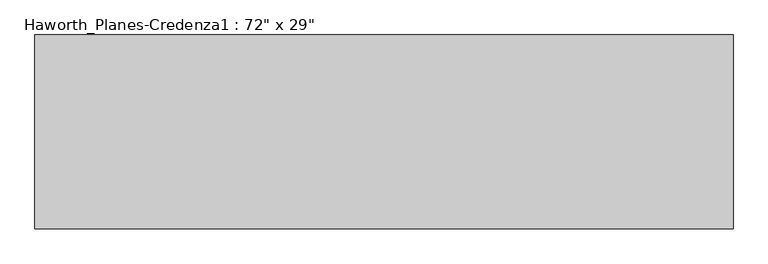
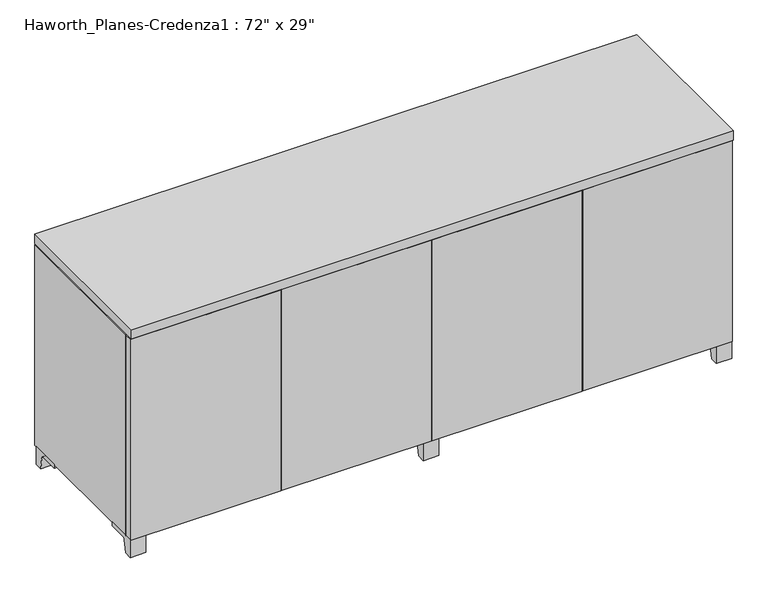
"""IFC4 building model written with IfcOpenShell, lengths in millimetres: furniture geometry."""

import ifcopenshell
import ifcopenshell.guid

model = None  # the IFC model being written
_history = None  # IfcOwnerHistory: only IFC2X3 demands one
_inside = {}  # id of a spatial element -> (the spatial element, [elements in it])
_under = {}  # id of a project, library or spatial element -> (it, [spatial elements below it])
_declared = {}  # id of a project -> (the project, [libraries it declares])
_typed = {}  # id of a type object -> (the type object, [elements of that type])
_made_of = {}  # id of a material, layer set ... -> (it, [elements and type objects made of it])


def new_model(schema):
    """Start an empty IFC model of exactly this schema.

    Asked for "IFC4X3", IfcOpenShell would pick the latest addendum, in which some entities
    have other attributes; the version numbers below select the first issue.
    IFC2X3 requires an IfcOwnerHistory on every rooted entity: one is made here for all.
    """
    global model, _history
    if schema == "IFC4X3":
        model = ifcopenshell.file(schema_version=(4, 3, 0, 0))
    else:
        model = ifcopenshell.file(schema=schema)
    _inside.clear()
    _under.clear()
    _declared.clear()
    _typed.clear()
    _made_of.clear()
    _history = None
    if model.schema == "IFC2X3":
        org = make("IfcOrganization", Name="unknown")
        user = make(
            "IfcPersonAndOrganization",
            ThePerson=make("IfcPerson", FamilyName="unknown"),
            TheOrganization=org,
        )
        app = make(
            "IfcApplication",
            ApplicationDeveloper=org,
            Version="unknown",
            ApplicationFullName="unknown",
            ApplicationIdentifier="unknown",
        )
        _history = make(
            "IfcOwnerHistory",
            OwningUser=user,
            OwningApplication=app,
            ChangeAction="ADDED",
            CreationDate=0,
        )
    return model


def make(cls, **values):
    """One entity of the class cls with the attributes given. An attribute that is None is left unset."""
    return model.create_entity(
        cls, **{name: value for name, value in values.items() if value is not None}
    )


def rooted(cls, **values):
    """An entity with a GlobalId (a new one), such as an element, a storey or a relation."""
    return make(cls, GlobalId=ifcopenshell.guid.new(), OwnerHistory=_history, **values)


def si_unit(unit_type, name, prefix=None):
    """IfcSIUnit, for example si_unit("LENGTHUNIT", "METRE", prefix="MILLI")."""
    return make("IfcSIUnit", UnitType=unit_type, Prefix=prefix, Name=name)


def assignment(units):
    """IfcUnitAssignment: the units of a project."""
    return None if units is None else make("IfcUnitAssignment", Units=units)


def point(xyz):
    """IfcCartesianPoint."""
    return None if xyz is None else make("IfcCartesianPoint", Coordinates=xyz)


def direction(xyz):
    """IfcDirection."""
    return None if xyz is None else make("IfcDirection", DirectionRatios=xyz)


def frame(location, z_axis=None, x_axis=None):
    """IfcAxis2Placement3D, a coordinate frame: its origin and axes. An axis left out is left unset."""
    return make(
        "IfcAxis2Placement3D",
        Location=point(location),
        Axis=direction(z_axis),
        RefDirection=direction(x_axis),
    )


def frame_2d(location, x_axis=None):
    """IfcAxis2Placement2D, a coordinate frame in the plane: its origin and x axis."""
    return make(
        "IfcAxis2Placement2D", Location=point(location), RefDirection=direction(x_axis)
    )


def origin():
    """The frame at (0, 0, 0) with its axes left unset."""
    return frame((0.0, 0.0, 0.0))


def place(relative_to, where):
    """IfcLocalPlacement: puts the frame where relative to a parent placement (None: the world)."""
    return make(
        "IfcLocalPlacement", PlacementRelTo=relative_to, RelativePlacement=where
    )


def context(
    kind, dimensions, precision=None, world=None, true_north=None, identifier=None
):
    """IfcGeometricRepresentationContext, for example the 3D "Model" context."""
    return make(
        "IfcGeometricRepresentationContext",
        ContextIdentifier=identifier,
        ContextType=kind,
        CoordinateSpaceDimension=dimensions,
        Precision=precision,
        WorldCoordinateSystem=world,
        TrueNorth=true_north,
    )


def project(units=None, contexts=None):
    """IfcProject with its units and contexts."""
    return rooted(
        "IfcProject",
        Name="project",
        RepresentationContexts=contexts,
        UnitsInContext=assignment(units),
    )


def spatial(cls, under=None, at=None, **own):
    """A site, building, storey or space (cls), placed at a placement, below another one or the project."""
    s = rooted(cls, ObjectPlacement=at, **own)
    if under is not None:
        _under.setdefault(under.id(), (under, []))[1].append(s)
    return s


def polyline(points):
    """IfcPolyline through the points."""
    return make("IfcPolyline", Points=[point(p) for p in points])


def circle_curve(where, radius):
    """IfcCircle in the frame where."""
    return make("IfcCircle", Position=where, Radius=radius)


def trimmed(basis, trim1, trim2, sense, master):
    """IfcTrimmedCurve: the piece of a basis curve between two trims."""
    return make(
        "IfcTrimmedCurve",
        BasisCurve=basis,
        Trim1=trim1,
        Trim2=trim2,
        SenseAgreement=sense,
        MasterRepresentation=master,
    )


def segment(curve, same_sense, transition):
    """IfcCompositeCurveSegment."""
    return make(
        "IfcCompositeCurveSegment",
        Transition=transition,
        SameSense=same_sense,
        ParentCurve=curve,
    )


def composite_curve(segments, self_intersect=None):
    """IfcCompositeCurve: segments joined end to end."""
    return make("IfcCompositeCurve", Segments=segments, SelfIntersect=self_intersect)


def outline(outer, holes=None, kind="AREA"):
    """IfcArbitraryClosedProfileDef: a profile drawn as a closed curve; with holes, ...WithVoids."""
    if holes is None:
        return make("IfcArbitraryClosedProfileDef", ProfileType=kind, OuterCurve=outer)
    return make(
        "IfcArbitraryProfileDefWithVoids",
        ProfileType=kind,
        OuterCurve=outer,
        InnerCurves=holes,
    )


def extrude(swept, where, along, depth):
    """IfcExtrudedAreaSolid: the profile swept, set in the frame where, extruded along a direction by depth."""
    return make(
        "IfcExtrudedAreaSolid",
        SweptArea=swept,
        Position=where,
        ExtrudedDirection=direction(along),
        Depth=depth,
    )


def faces_of(points, faces, orient=None, outer=None):
    """IfcFace entities. A face is a list of loops; a loop is a list of indices into points, from 0.

    orient and outer hold one flag for each loop. By default every Orientation is true, the
    first loop of a face is its IfcFaceOuterBound and the others are IfcFaceBound.
    """
    made = []
    for i, loops in enumerate(faces):
        bounds = []
        for j, loop in enumerate(loops):
            is_outer = j == 0 if outer is None else outer[i][j]
            bounds.append(
                make(
                    "IfcFaceOuterBound" if is_outer else "IfcFaceBound",
                    Bound=make("IfcPolyLoop", Polygon=[points[k] for k in loop]),
                    Orientation=True if orient is None else orient[i][j],
                )
            )
        made.append(make("IfcFace", Bounds=bounds))
    return made


def faceted_brep(points, faces, orient=None, outer=None, voids=None):
    """IfcFacetedBrep: a solid bounded by flat faces; with voids (closed shells), ...WithVoids."""
    shared = [point(p) for p in points]
    hull = make("IfcClosedShell", CfsFaces=faces_of(shared, faces, orient, outer))
    if voids is None:
        return make("IfcFacetedBrep", Outer=hull)
    return make(
        "IfcFacetedBrepWithVoids",
        Outer=hull,
        Voids=[
            make(cls, CfsFaces=faces_of(shared, fs, o, b)) for cls, fs, o, b in voids
        ],
    )


def shape(context_of_items, identifier, shape_type, items):
    """IfcShapeRepresentation: the items that make up one representation, for example the "Body"."""
    return make(
        "IfcShapeRepresentation",
        ContextOfItems=context_of_items,
        RepresentationIdentifier=identifier,
        RepresentationType=shape_type,
        Items=items,
    )


def source(mapping_origin, context_of_items, identifier, shape_type, items):
    """IfcRepresentationMap: a shape defined once, which mapped items show again and again."""
    return make(
        "IfcRepresentationMap",
        MappingOrigin=mapping_origin,
        MappedRepresentation=shape(context_of_items, identifier, shape_type, items),
    )


def transform(
    local_origin,
    x_axis=None,
    y_axis=None,
    z_axis=None,
    scale=None,
    scale2=None,
    scale3=None,
    uniform=True,
):
    """IfcCartesianTransformationOperator3D, or its non-uniform kind. x_axis, y_axis, z_axis: its Axis1, 2, 3."""
    if uniform:
        return make(
            "IfcCartesianTransformationOperator3D",
            Axis1=direction(x_axis),
            Axis2=direction(y_axis),
            LocalOrigin=point(local_origin),
            Scale=scale,
            Axis3=direction(z_axis),
        )
    return make(
        "IfcCartesianTransformationOperator3DnonUniform",
        Axis1=direction(x_axis),
        Axis2=direction(y_axis),
        LocalOrigin=point(local_origin),
        Scale=scale,
        Axis3=direction(z_axis),
        Scale2=scale2,
        Scale3=scale3,
    )


def mapped(mapping_source, mapping_target):
    """IfcMappedItem: shows the shape of a source again, moved by a transform."""
    return make(
        "IfcMappedItem", MappingSource=mapping_source, MappingTarget=mapping_target
    )


def made_of(thing, what):
    """Note that an element or type object is made of a material, layer set ...; save() writes the relation."""
    if what is not None:
        _made_of.setdefault(what.id(), (what, []))[1].append(thing)
    return thing


def element(
    cls,
    number,
    at=None,
    inside=None,
    cuts=None,
    type_object=None,
    material=None,
    context=None,
    identifier="Body",
    shape_type=None,
    held_by="IfcProductDefinitionShape",
    body=None,
    shapes=None,
    **own,
):
    """One element of the class cls, such as IfcWall. Its Tag is "e" and its number.

    at: its placement. inside: the storey or other place that contains it. cuts: it is an
    opening in that element (IfcRelVoidsElement). A single representation is given by context,
    identifier, shape_type and body (its items); several are given by shapes. held_by: the class
    of the entity that holds the representations. save() writes the other relations.
    """
    e = rooted(cls, Tag="e%d" % number, ObjectPlacement=at, **own)
    if body is not None:
        shapes = [shape(context, identifier, shape_type, body)]
    if shapes is not None:
        e.Representation = make(held_by, Representations=shapes)
    if inside is not None:
        _inside.setdefault(inside.id(), (inside, []))[1].append(e)
    if cuts is not None:
        rooted(
            "IfcRelVoidsElement", RelatingBuildingElement=cuts, RelatedOpeningElement=e
        )
    if type_object is not None:
        _typed.setdefault(type_object.id(), (type_object, []))[1].append(e)
    return made_of(e, material)


def aggregate(whole, parts):
    """IfcRelAggregates: a whole, such as a stair, and the parts it consists of."""
    return rooted("IfcRelAggregates", RelatingObject=whole, RelatedObjects=parts)


def save(model, path):
    """Write the relations noted so far, then the file.

    IfcRelAggregates (storeys below a building ...), IfcRelContainedInSpatialStructure (elements
    in a storey), IfcRelDefinesByType, IfcRelAssociatesMaterial and IfcRelDeclares: one each for
    every whole, place, type object, material and project.
    """
    for whole, parts in _under.values():
        aggregate(whole, parts)
    for where, things in _inside.values():
        rooted(
            "IfcRelContainedInSpatialStructure",
            RelatedElements=things,
            RelatingStructure=where,
        )
    for kind, things in _typed.values():
        rooted("IfcRelDefinesByType", RelatedObjects=things, RelatingType=kind)
    for what, things in _made_of.values():
        rooted("IfcRelAssociatesMaterial", RelatedObjects=things, RelatingMaterial=what)
    for by, libraries in _declared.values():
        rooted("IfcRelDeclares", RelatingContext=by, RelatedDefinitions=libraries)
    model.write(path)


def furniture_961ed1c0(model_context):
    return source(origin(), model_context, "Body", "SolidModel", [
        extrude(outline(composite_curve([segment(polyline([(-368.5593029, 0.0), (-392.900956, 0.0), (-392.900956, 57.15), (-297.650956, 57.15), (-297.650956, 44.45), (-355.7717125, 44.45)]), True, "CONTINUOUS"), segment(trimmed(circle_curve(frame_2d((-355.7717125, 38.1)), 6.35), [point((-355.7717125, 44.45))], [point((-362.0353139, 39.1439336))], True, "CARTESIAN"), True, "CONTINUOUS"), segment(polyline([(-362.0353139, 39.1439336), (-368.5593029, 0.0)]), True, "CONTINUOUS")], self_intersect=False)), frame((1182.3480475, 0.0, 0.0), z_axis=(1.0, 0.0, 0.0), x_axis=(0.0, 1.0, 0.0)), (0.0, 0.0, 1.0), 47.625),
        extrude(outline(composite_curve([segment(polyline([(78.0573909, 0.0), (71.533402, 39.1439336)]), True, "CONTINUOUS"), segment(trimmed(circle_curve(frame_2d((65.2698006, 38.1)), 6.35), [point((71.533402, 39.1439336))], [point((65.2698006, 44.45))], True, "CARTESIAN"), True, "CONTINUOUS"), segment(polyline([(65.2698006, 44.45), (7.149044, 44.45), (7.149044, 57.15), (102.399044, 57.15), (102.399044, 0.0), (78.0573909, 0.0)]), True, "CONTINUOUS")], self_intersect=False)), frame((1182.3480475, 0.0, 0.0), z_axis=(1.0, 0.0, 0.0), x_axis=(0.0, 1.0, 0.0)), (0.0, 0.0, 1.0), 47.625),
        extrude(outline(composite_curve([segment(polyline([(-368.5593029, 0.0), (-392.900956, 0.0), (-392.900956, 57.15), (-297.650956, 57.15), (-297.650956, 44.45), (-355.7717125, 44.45)]), True, "CONTINUOUS"), segment(trimmed(circle_curve(frame_2d((-355.7717125, 38.1)), 6.35), [point((-355.7717125, 44.45))], [point((-362.0353139, 39.1439336))], True, "CARTESIAN"), True, "CONTINUOUS"), segment(polyline([(-362.0353139, 39.1439336), (-368.5593029, 0.0)]), True, "CONTINUOUS")], self_intersect=False)), frame((-598.8269525, 0.0, 0.0), z_axis=(1.0, 0.0, 0.0), x_axis=(0.0, 1.0, 0.0)), (0.0, 0.0, 1.0), 47.625),
        extrude(outline(composite_curve([segment(polyline([(78.0573909, 0.0), (71.533402, 39.1439336)]), True, "CONTINUOUS"), segment(trimmed(circle_curve(frame_2d((65.2698006, 38.1)), 6.35), [point((71.533402, 39.1439336))], [point((65.2698006, 44.45))], True, "CARTESIAN"), True, "CONTINUOUS"), segment(polyline([(65.2698006, 44.45), (7.149044, 44.45), (7.149044, 57.15), (102.399044, 57.15), (102.399044, 0.0), (78.0573909, 0.0)]), True, "CONTINUOUS")], self_intersect=False)), frame((-598.8269525, 0.0, 0.0), z_axis=(1.0, 0.0, 0.0), x_axis=(0.0, 1.0, 0.0)), (0.0, 0.0, 1.0), 47.625),
        extrude(outline(composite_curve([segment(polyline([(-368.5593029, 0.0), (-392.900956, 0.0), (-392.900956, 57.15), (-297.650956, 57.15), (-297.650956, 44.45), (-355.7717125, 44.45)]), True, "CONTINUOUS"), segment(trimmed(circle_curve(frame_2d((-355.7717125, 38.1)), 6.35), [point((-355.7717125, 44.45))], [point((-362.0353139, 39.1439336))], True, "CARTESIAN"), True, "CONTINUOUS"), segment(polyline([(-362.0353139, 39.1439336), (-368.5593029, 0.0)]), True, "CONTINUOUS")], self_intersect=False)), frame((291.7605475, 0.0, 0.0), z_axis=(1.0, 0.0, 0.0), x_axis=(0.0, 1.0, 0.0)), (0.0, 0.0, 1.0), 47.625),
        extrude(outline(composite_curve([segment(polyline([(78.0573909, 0.0), (71.533402, 39.1439336)]), True, "CONTINUOUS"), segment(trimmed(circle_curve(frame_2d((65.2698006, 38.1)), 6.35), [point((71.533402, 39.1439336))], [point((65.2698006, 44.45))], True, "CARTESIAN"), True, "CONTINUOUS"), segment(polyline([(65.2698006, 44.45), (7.149044, 44.45), (7.149044, 57.15), (102.399044, 57.15), (102.399044, 0.0), (78.0573909, 0.0)]), True, "CONTINUOUS")], self_intersect=False)), frame((291.7605475, 0.0, 0.0), z_axis=(1.0, 0.0, 0.0), x_axis=(0.0, 1.0, 0.0)), (0.0, 0.0, 1.0), 47.625),
        extrude(outline(polyline([(315.5730475, -396.075956), (315.5730475, -370.675956), (771.1855475, -370.675956), (771.1855475, -396.075956), (315.5730475, -396.075956)])), frame((0.0, 0.0, 57.15), z_axis=(0.0, 0.0, 1.0), x_axis=(1.0, 0.0, 0.0)), (0.0, 0.0, 1.0), 646.1125),
        extrude(outline(polyline([(1229.9730475, -396.075956), (774.3605475, -396.075956), (774.3605475, -370.675956), (1229.9730475, -370.675956), (1229.9730475, -396.075956)])), frame((0.0, 0.0, 57.15), z_axis=(0.0, 0.0, 1.0), x_axis=(1.0, 0.0, 0.0)), (0.0, 0.0, 1.0), 646.1125),
        faceted_brep([(315.5730475, -370.675956, 703.2625), (315.5730475, -370.675956, 57.15), (1229.9730475, -370.675956, 57.15), (1229.9730475, -370.675956, 703.2625), (1204.5730475, -370.675956, 703.2625), (1204.5730475, -370.675956, 706.4375), (340.9730475, -370.675956, 706.4375), (340.9730475, -370.675956, 703.2625), (315.5730475, 108.749044, 703.2625), (1229.9730475, 108.749044, 703.2625), (1229.9730475, 108.749044, 57.15), (315.5730475, 108.749044, 57.15), (340.9730475, 83.349044, 703.2625), (1204.5730475, 83.349044, 703.2625), (340.9730475, 83.349044, 706.4375), (1204.5730475, 83.349044, 706.4375)], [[[0, 1, 2, 3, 4, 5, 6, 7]], [[8, 9, 10, 11]], [[1, 0, 8, 11]], [[2, 1, 11, 10]], [[3, 2, 10, 9]], [[9, 8, 0, 7, 12, 13, 4, 3]], [[14, 15, 13, 12]], [[7, 6, 14, 12]], [[5, 4, 13, 15]], [[6, 5, 15, 14]]]),
        extrude(outline(polyline([(-598.8269525, -396.075956), (-598.8269525, -370.675956), (-143.2144525, -370.675956), (-143.2144525, -396.075956), (-598.8269525, -396.075956)])), frame((0.0, 0.0, 57.15), z_axis=(0.0, 0.0, 1.0), x_axis=(1.0, 0.0, 0.0)), (0.0, 0.0, 1.0), 646.1125),
        extrude(outline(polyline([(315.5730475, -396.075956), (-140.0394525, -396.075956), (-140.0394525, -370.675956), (315.5730475, -370.675956), (315.5730475, -396.075956)])), frame((0.0, 0.0, 57.15), z_axis=(0.0, 0.0, 1.0), x_axis=(1.0, 0.0, 0.0)), (0.0, 0.0, 1.0), 646.1125),
        faceted_brep([(-598.8269525, -370.675956, 703.2625), (-598.8269525, -370.675956, 57.15), (315.5730475, -370.675956, 57.15), (315.5730475, -370.675956, 703.2625), (290.1730475, -370.675956, 703.2625), (290.1730475, -370.675956, 706.4375), (-573.4269525, -370.675956, 706.4375), (-573.4269525, -370.675956, 703.2625), (-598.8269525, 108.749044, 703.2625), (315.5730475, 108.749044, 703.2625), (315.5730475, 108.749044, 57.15), (-598.8269525, 108.749044, 57.15), (-573.4269525, 83.349044, 703.2625), (290.1730475, 83.349044, 703.2625), (-573.4269525, 83.349044, 706.4375), (290.1730475, 83.349044, 706.4375)], [[[0, 1, 2, 3, 4, 5, 6, 7]], [[8, 9, 10, 11]], [[1, 0, 8, 11]], [[2, 1, 11, 10]], [[3, 2, 10, 9]], [[9, 8, 0, 7, 12, 13, 4, 3]], [[14, 15, 13, 12]], [[7, 6, 14, 12]], [[5, 4, 13, 15]], [[6, 5, 15, 14]]]),
        extrude(outline(polyline([(1229.9730475, 108.749044), (1229.9730475, -399.250956), (-598.8269525, -399.250956), (-598.8269525, 108.749044), (1229.9730475, 108.749044)])), frame((0.0, 0.0, 706.4375), z_axis=(0.0, 0.0, 1.0), x_axis=(1.0, 0.0, 0.0)), (0.0, 0.0, 1.0), 30.1625),
    ])


if __name__ == "__main__":
    model = new_model("IFC4")
    model_context = context("Model", 3, world=origin())
    ifc_project = project(units=[si_unit("LENGTHUNIT", "METRE", prefix="MILLI")], contexts=[model_context])
    site = spatial("IfcSite", under=ifc_project)
    building = spatial("IfcBuilding", under=site)
    placement = place(None, origin())
    furniture_shape = furniture_961ed1c0(model_context)
    element("IfcFurniture", 1, ObjectType="Haworth_Planes-Credenza1 : 72\" x 29\"", at=placement, inside=building, context=model_context, shape_type="MappedRepresentation", body=[
        mapped(furniture_shape, transform((0.0, 0.0, 0.0), x_axis=(1.0, 0.0, 0.0), y_axis=(0.0, 1.0, 0.0), z_axis=(0.0, 0.0, 1.0))),
    ])
    save(model, "model.ifc")
